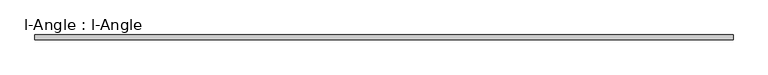
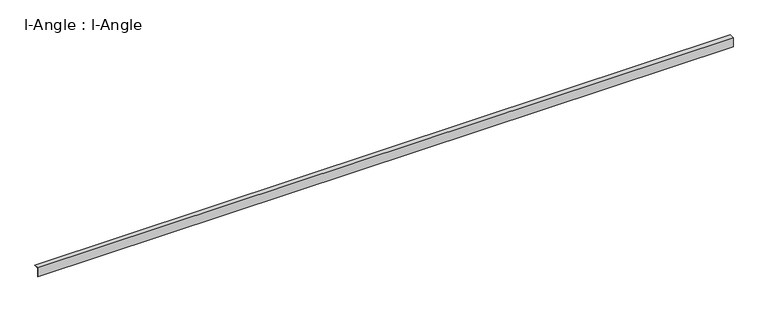
"""IFC4 building model written with IfcOpenShell, lengths in millimetres: proxy geometry, l-Angle : l-Angle."""

from ifc_helpers import new_model, si_unit, frame, origin, place, context, project, spatial, polyline, outline, extrude, source, transform, mapped, element, save


def l_angle_l_angle_50b302b9(model_context):
    return source(origin(), model_context, "Body", "SweptSolid", [
        extrude(outline(polyline([(0.0, -100.0), (0.0, 0.0), (50.0, 0.0), (50.0, -1.9174464), (2.0, -1.9174464), (2.0, -100.0), (0.0, -100.0)])), frame((0.0, 0.0, 0.0), z_axis=(1.0, 0.0, 0.0), x_axis=(0.0, 1.0, 0.0)), (0.0, 0.0, 1.0), 7265.0),
    ])


if __name__ == "__main__":
    model = new_model("IFC4")
    model_context = context("Model", 3, world=origin())
    ifc_project = project(units=[si_unit("LENGTHUNIT", "METRE", prefix="MILLI")], contexts=[model_context])
    site = spatial("IfcSite", under=ifc_project)
    building = spatial("IfcBuilding", under=site)
    placement = place(None, origin())
    l_angle_l_angle_shape = l_angle_l_angle_50b302b9(model_context)
    element("IfcBuildingElementProxy", 1, Name="l-Angle : l-Angle", ObjectType="l-Angle : l-Angle", at=placement, inside=building, context=model_context, shape_type="MappedRepresentation", body=[
        mapped(l_angle_l_angle_shape, transform((0.0, 0.0, 0.0), x_axis=(1.0, 0.0, 0.0), y_axis=(0.0, 1.0, 0.0), z_axis=(0.0, 0.0, 1.0))),
    ])
    save(model, "model.ifc")
